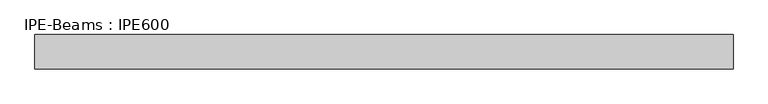
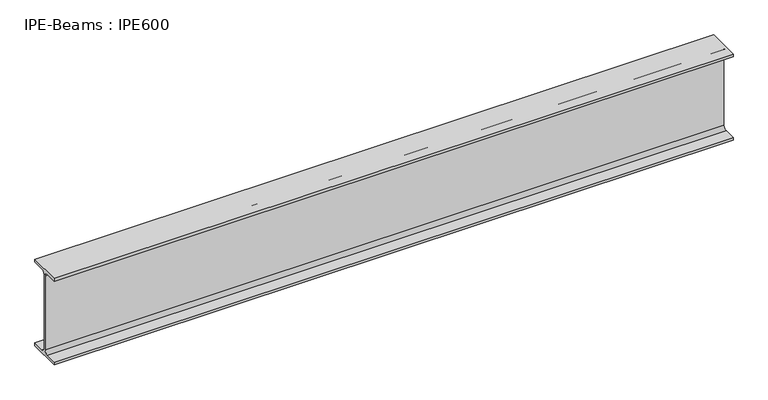
"""IFC4 building model written with IfcOpenShell, lengths in millimetres: beam geometry, IPE-Beams : IPE600."""

from ifc_helpers import new_model, si_unit, point, frame, frame_2d, origin, place, context, project, spatial, polyline, circle_curve, trimmed, segment, composite_curve, outline, extrude, source, transform, mapped, element, save


def ipe_beams_ipe600_9742917e(model_context):
    return source(origin(), model_context, "Body", "SweptSolid", [
        extrude(outline(composite_curve([segment(polyline([(110.0, -281.0), (110.0, -300.0), (-110.0, -300.0), (-110.0, -281.0), (-30.0, -281.0)]), True, "CONTINUOUS"), segment(trimmed(circle_curve(frame_2d((-30.0, -257.0)), 24.0), [point((-30.0, -281.0))], [point((-6.0, -257.0))], True, "CARTESIAN"), True, "CONTINUOUS"), segment(polyline([(-6.0, -257.0), (-6.0, 257.0)]), True, "CONTINUOUS"), segment(trimmed(circle_curve(frame_2d((-30.0, 257.0)), 24.0), [point((-6.0, 257.0))], [point((-30.0, 281.0))], True, "CARTESIAN"), True, "CONTINUOUS"), segment(polyline([(-30.0, 281.0), (-110.0, 281.0), (-110.0, 300.0), (110.0, 300.0), (110.0, 281.0), (30.0, 281.0)]), True, "CONTINUOUS"), segment(trimmed(circle_curve(frame_2d((30.0, 257.0)), 24.0), [point((30.0, 281.0))], [point((6.0, 257.0))], True, "CARTESIAN"), True, "CONTINUOUS"), segment(polyline([(6.0, 257.0), (6.0, -257.0)]), True, "CONTINUOUS"), segment(trimmed(circle_curve(frame_2d((30.0, -257.0)), 24.0), [point((6.0, -257.0))], [point((30.0, -281.0))], True, "CARTESIAN"), True, "CONTINUOUS"), segment(polyline([(30.0, -281.0), (110.0, -281.0)]), True, "CONTINUOUS")], self_intersect=False)), frame((-2500.0, 0.0, 0.0), z_axis=(1.0, 0.0, 0.0), x_axis=(0.0, 1.0, 0.0)), (0.0, 0.0, 1.0), 4460.0),
    ])


if __name__ == "__main__":
    model = new_model("IFC4")
    model_context = context("Model", 3, world=origin())
    ifc_project = project(units=[si_unit("LENGTHUNIT", "METRE", prefix="MILLI")], contexts=[model_context])
    site = spatial("IfcSite", under=ifc_project)
    building = spatial("IfcBuilding", under=site)
    placement = place(None, origin())
    ipe_beams_ipe600_shape = ipe_beams_ipe600_9742917e(model_context)
    element("IfcBeam", 1, ObjectType="IPE-Beams : IPE600", at=placement, inside=building, context=model_context, shape_type="MappedRepresentation", body=[
        mapped(ipe_beams_ipe600_shape, transform((0.0, 0.0, 0.0), x_axis=(1.0, 0.0, 0.0), y_axis=(0.0, 1.0, 0.0), z_axis=(0.0, 0.0, 1.0))),
    ])
    save(model, "model.ifc")
